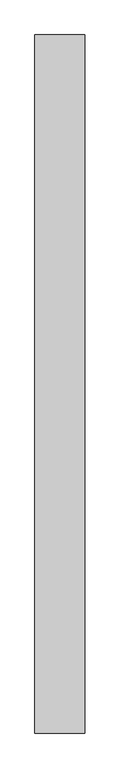
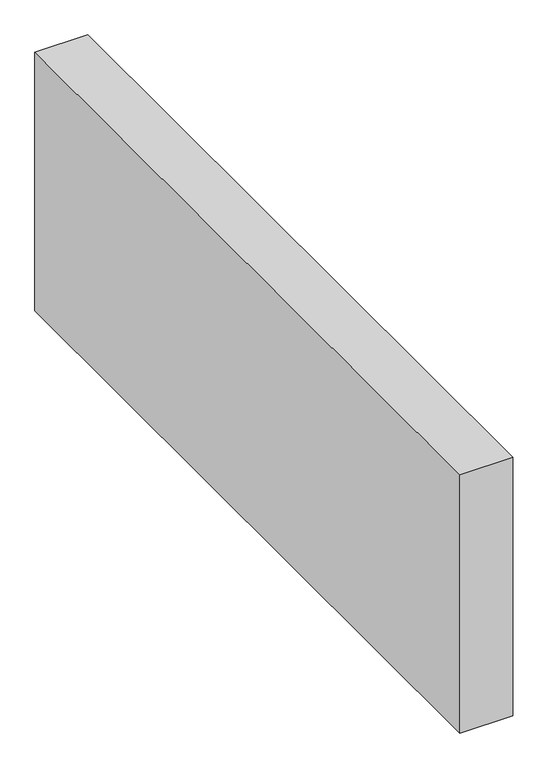
"""IFC4 building model written with IfcOpenShell, lengths in millimetres: proxy geometry."""

from ifc_helpers import new_model, si_unit, origin, origin_with_axes, place, context, project, spatial, polyline, outline, extrude, source, transform, mapped, element, save


def generic_models_d470f560(model_context):
    return source(origin(), model_context, "Body", "SweptSolid", [
        extrude(outline(polyline([(150.0, 2092.7085985), (150.0, 0.0), (0.0, 0.0), (0.0, 2092.7085985), (150.0, 2092.7085985)])), origin_with_axes(), (0.0, 0.0, 1.0), 776.6553396),
    ])


if __name__ == "__main__":
    model = new_model("IFC4")
    model_context = context("Model", 3, world=origin())
    ifc_project = project(units=[si_unit("LENGTHUNIT", "METRE", prefix="MILLI")], contexts=[model_context])
    site = spatial("IfcSite", under=ifc_project)
    building = spatial("IfcBuilding", under=site)
    placement = place(None, origin())
    generic_models_shape = generic_models_d470f560(model_context)
    element("IfcBuildingElementProxy", 1, Name="Generic Models", at=placement, inside=building, context=model_context, shape_type="MappedRepresentation", body=[
        mapped(generic_models_shape, transform((0.0, 0.0, 0.0), x_axis=(1.0, 0.0, 0.0), y_axis=(0.0, 1.0, 0.0), z_axis=(0.0, 0.0, 1.0))),
    ])
    save(model, "model.ifc")
